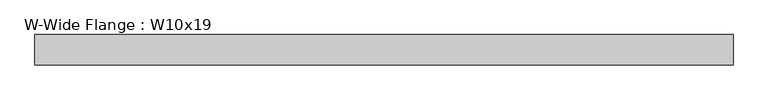
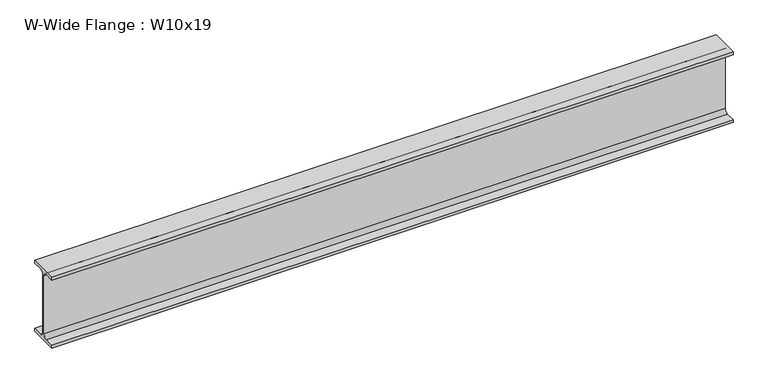
"""IFC4 building model written with IfcOpenShell, lengths in millimetres: beam geometry, W-Wide Flange : W10x19."""

from ifc_helpers import new_model, si_unit, point, frame, frame_2d, origin, place, context, project, spatial, polyline, circle_curve, trimmed, segment, composite_curve, outline, extrude, source, transform, mapped, element, save


def w_wide_flange_w10x19_b56fd17f(model_context):
    return source(origin(), model_context, "Body", "SweptSolid", [
        extrude(outline(composite_curve([segment(polyline([(51.054, -119.507), (51.054, -129.54), (-51.054, -129.54), (-51.054, -119.507), (-16.9545, -119.507)]), True, "CONTINUOUS"), segment(trimmed(circle_curve(frame_2d((-16.9545, -105.7275)), 13.7795), [point((-16.9545, -119.507))], [point((-3.175, -105.7275))], True, "CARTESIAN"), True, "CONTINUOUS"), segment(polyline([(-3.175, -105.7275), (-3.175, 105.7275)]), True, "CONTINUOUS"), segment(trimmed(circle_curve(frame_2d((-16.9545, 105.7275)), 13.7795), [point((-3.175, 105.7275))], [point((-16.9545, 119.507))], True, "CARTESIAN"), True, "CONTINUOUS"), segment(polyline([(-16.9545, 119.507), (-51.054, 119.507), (-51.054, 129.54), (51.054, 129.54), (51.054, 119.507), (16.9545, 119.507)]), True, "CONTINUOUS"), segment(trimmed(circle_curve(frame_2d((16.9545, 105.7275)), 13.7795), [point((16.9545, 119.507))], [point((3.175, 105.7275))], True, "CARTESIAN"), True, "CONTINUOUS"), segment(polyline([(3.175, 105.7275), (3.175, -105.7275)]), True, "CONTINUOUS"), segment(trimmed(circle_curve(frame_2d((16.9545, -105.7275)), 13.7795), [point((3.175, -105.7275))], [point((16.9545, -119.507))], True, "CARTESIAN"), True, "CONTINUOUS"), segment(polyline([(16.9545, -119.507), (51.054, -119.507)]), True, "CONTINUOUS")], self_intersect=False)), frame((-1181.1, 0.0, 0.0), z_axis=(1.0, 0.0, 0.0), x_axis=(0.0, 1.0, 0.0)), (0.0, 0.0, 1.0), 2362.2),
    ])


if __name__ == "__main__":
    model = new_model("IFC4")
    model_context = context("Model", 3, world=origin())
    ifc_project = project(units=[si_unit("LENGTHUNIT", "METRE", prefix="MILLI")], contexts=[model_context])
    site = spatial("IfcSite", under=ifc_project)
    building = spatial("IfcBuilding", under=site)
    placement = place(None, origin())
    w_wide_flange_w10x19_shape = w_wide_flange_w10x19_b56fd17f(model_context)
    element("IfcBeam", 1, ObjectType="W-Wide Flange : W10x19", at=placement, inside=building, context=model_context, shape_type="MappedRepresentation", body=[
        mapped(w_wide_flange_w10x19_shape, transform((0.0, 0.0, 0.0), x_axis=(1.0, 0.0, 0.0), y_axis=(0.0, 1.0, 0.0), z_axis=(0.0, 0.0, 1.0))),
    ])
    save(model, "model.ifc")
